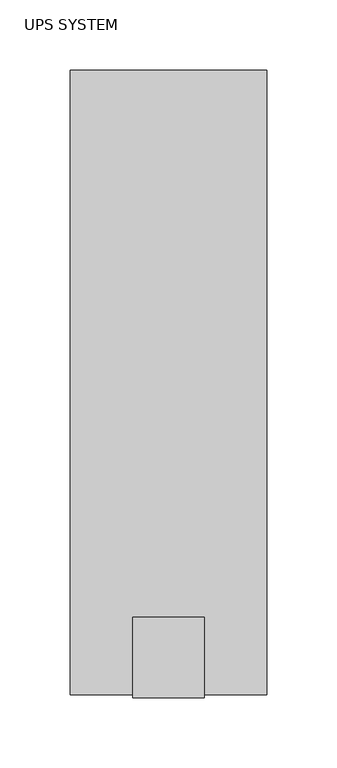
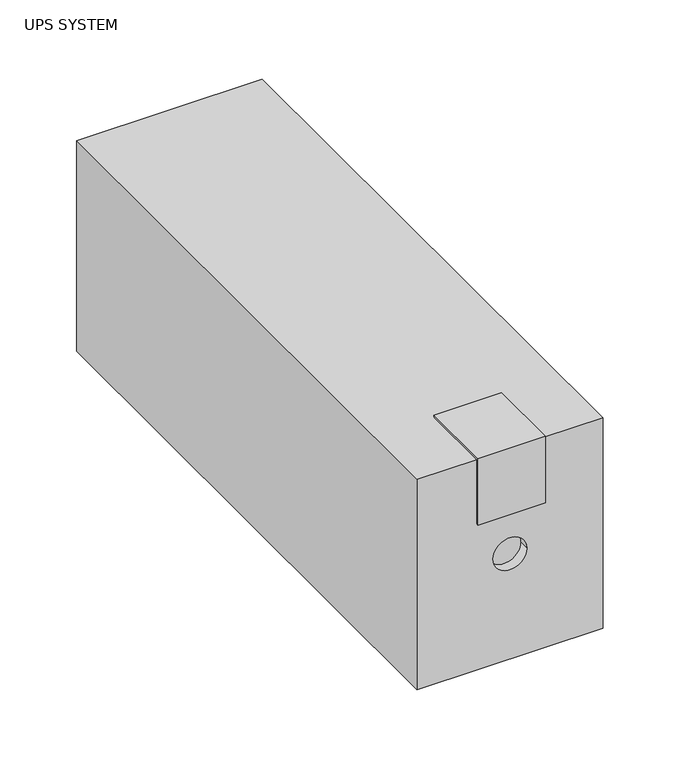
"""IFC4 building model written with IfcOpenShell, lengths in millimetres: proxy geometry, UPS SYSTEM."""

from ifc_helpers import new_model, si_unit, frame, origin, place, context, project, spatial, polyline, circle_curve, source, transform, mapped, element, save
from ifc_brep_helpers import plane_surface, revolved_surface, advanced_brep


def ups_system_f6771473(model_context):
    return source(origin(), model_context, "Body", "AdvancedBrep", [
        advanced_brep(
        [(69.85, 0.0, 167.64), (-69.85, 0.0, 167.64), (-69.85, -444.5, 167.64), (-25.4, -444.5, 167.64), (-25.4, -389.4915872, 167.64), (25.4, -389.4915872, 167.64), (25.4, -444.5, 167.64), (69.85, -444.5, 167.64), (69.85, 0.0, 0.0), (69.85, -444.5, 0.0), (-69.85, -444.5, 0.0), (-69.85, 0.0, 0.0), (25.4, -444.5, 116.84), (-25.4, -444.5, 116.84), (12.7, -444.5, 83.82), (-12.7, -444.5, 83.82), (-12.7, -436.5286507, 83.82), (12.7, -436.5286507, 83.82), (25.4, -446.6415872, 116.84), (25.4, -446.6415872, 169.5670305), (-25.4, -446.6415872, 169.5670305), (-25.4, -446.6415872, 116.84), (-25.4, -389.4915872, 169.5670305), (25.4, -389.4915872, 169.5670305)],
        [
            (0, 1),
            (1, 2),
            (2, 3),
            (3, 4),
            (4, 5),
            (5, 6),
            (6, 7),
            (7, 0),
            (8, 9),
            (9, 10),
            (10, 11),
            (11, 8),
            (0, 8),
            (11, 1),
            (10, 2),
            (9, 7),
            (6, 12),
            (12, 13),
            (13, 3),
            (14, 15, circle_curve(frame((0.0, -444.5, 83.82), z_axis=(0.0, 1.0, 0.0), x_axis=(1.0, 0.0, 0.0)), 12.7)),
            (15, 14, circle_curve(frame((0.0, -444.5, 83.82), z_axis=(0.0, 1.0, 0.0), x_axis=(1.0, 0.0, 0.0)), 12.7)),
            (16, 17, circle_curve(frame((0.0, -436.5286507, 83.82), z_axis=(0.0, -1.0, 0.0), x_axis=(1.0, 0.0, 0.0)), 12.7)),
            (17, 16, circle_curve(frame((0.0, -436.5286507, 83.82), z_axis=(0.0, -1.0, 0.0), x_axis=(1.0, 0.0, 0.0)), 12.7)),
            (16, 15),
            (14, 17),
            (18, 19),
            (19, 20),
            (20, 21),
            (21, 18),
            (22, 23),
            (23, 5),
            (4, 22),
            (18, 12),
            (23, 19),
            (22, 20),
            (13, 21),
        ],
        [
            plane_surface(frame((-69.85, 0.0, 167.64), z_axis=(0.0, 0.0, 1.0), x_axis=(-1.0, 0.0, 0.0))),
            plane_surface(frame((-69.85, 0.0, 0.0), z_axis=(0.0, 0.0, -1.0), x_axis=(1.0, 0.0, 0.0))),
            plane_surface(frame((69.85, 0.0, 167.64), z_axis=(0.0, 1.0, 0.0), x_axis=(0.0, 0.0, -1.0))),
            plane_surface(frame((-69.85, 0.0, 167.64), z_axis=(-1.0, 0.0, 0.0), x_axis=(0.0, 0.0, -1.0))),
            plane_surface(frame((-69.85, -444.5, 167.64), z_axis=(0.0, -1.0, 0.0), x_axis=(0.0, 0.0, -1.0))),
            plane_surface(frame((69.85, -444.5, 167.64), z_axis=(1.0, 0.0, 0.0), x_axis=(0.0, 0.0, -1.0))),
            plane_surface(frame((12.7, -436.5286507, 83.82), z_axis=(0.0, -1.0, 0.0), x_axis=(0.0, 0.0, -1.0))),
            revolved_surface(polyline([(12.7, -444.5, 83.82), (12.7, -436.5286507, 83.82)]), (0.0, -436.5286507, 83.82), (0.0, -1.0, 0.0)),
            plane_surface(frame((25.4, -446.6415872, 116.84), z_axis=(0.0, -1.0, 0.0), x_axis=(0.0, 0.0, 1.0))),
            plane_surface(frame((25.4, -389.4915872, 116.84), z_axis=(0.0, 1.0, 0.0), x_axis=(0.0, 0.0, -1.0))),
            plane_surface(frame((25.4, -446.6415872, 116.84), z_axis=(1.0, 0.0, 0.0), x_axis=(0.0, 1.0, 0.0))),
            plane_surface(frame((25.4, -446.6415872, 169.5670305), z_axis=(0.0, 0.0, 1.0), x_axis=(0.0, 1.0, 0.0))),
            plane_surface(frame((-25.4, -446.6415872, 169.5670305), z_axis=(-1.0, 0.0, 0.0), x_axis=(0.0, 1.0, 0.0))),
            plane_surface(frame((-25.4, -446.6415872, 116.84), z_axis=(0.0, 0.0, -1.0), x_axis=(0.0, 1.0, 0.0))),
        ],
        [
            (0, [[1, 2, 3, 4, 5, 6, 7, 8]]),
            (1, [[9, 10, 11, 12]]),
            (2, [[-1, 13, -12, 14]]),
            (3, [[-2, -14, -11, 15]]),
            (4, [[-10, 16, -7, 17, 18, 19, -3, -15], [20, 21]]),
            (5, [[-8, -16, -9, -13]]),
            (6, [[22, 23]]),
            (7, [[-22, 24, -20, 25]]),
            (7, [[-23, -25, -21, -24]]),
            (8, [[26, 27, 28, 29]]),
            (9, [[30, 31, -5, 32]]),
            (10, [[-26, 33, -17, -6, -31, 34]]),
            (11, [[-27, -34, -30, 35]]),
            (12, [[-28, -35, -32, -4, -19, 36]]),
            (13, [[-29, -36, -18, -33]]),
        ],
    ),
    ])


if __name__ == "__main__":
    model = new_model("IFC4")
    model_context = context("Model", 3, world=origin())
    ifc_project = project(units=[si_unit("LENGTHUNIT", "METRE", prefix="MILLI")], contexts=[model_context])
    site = spatial("IfcSite", under=ifc_project)
    building = spatial("IfcBuilding", under=site)
    placement = place(None, origin())
    ups_system_shape = ups_system_f6771473(model_context)
    element("IfcBuildingElementProxy", 1, Name="UPS SYSTEM", ObjectType="UPS SYSTEM", at=placement, inside=building, context=model_context, shape_type="MappedRepresentation", body=[
        mapped(ups_system_shape, transform((0.0, 0.0, 0.0), x_axis=(1.0, 0.0, 0.0), y_axis=(0.0, 1.0, 0.0), z_axis=(0.0, 0.0, 1.0))),
    ])
    save(model, "model.ifc")
